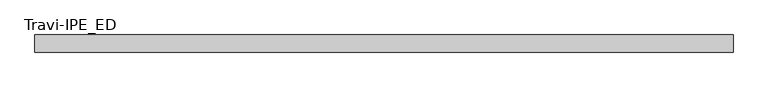
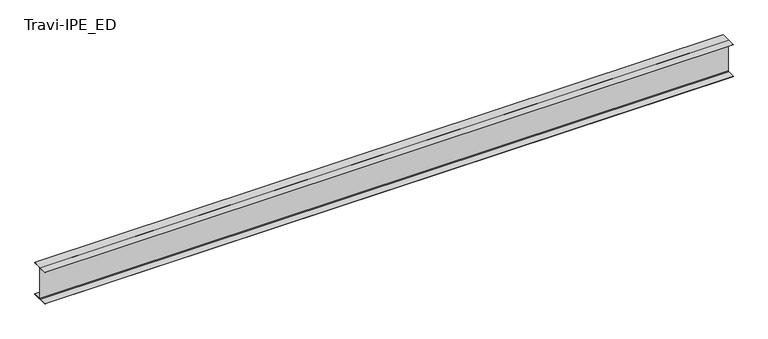
"""IFC4 building model written with IfcOpenShell, lengths in millimetres: beam geometry, Travi-IPE_ED."""

import ifcopenshell
import ifcopenshell.guid

model = None  # the IFC model being written
_history = None  # IfcOwnerHistory: only IFC2X3 demands one
_inside = {}  # id of a spatial element -> (the spatial element, [elements in it])
_under = {}  # id of a project, library or spatial element -> (it, [spatial elements below it])
_declared = {}  # id of a project -> (the project, [libraries it declares])
_typed = {}  # id of a type object -> (the type object, [elements of that type])
_made_of = {}  # id of a material, layer set ... -> (it, [elements and type objects made of it])


def new_model(schema):
    """Start an empty IFC model of exactly this schema.

    Asked for "IFC4X3", IfcOpenShell would pick the latest addendum, in which some entities
    have other attributes; the version numbers below select the first issue.
    IFC2X3 requires an IfcOwnerHistory on every rooted entity: one is made here for all.
    """
    global model, _history
    if schema == "IFC4X3":
        model = ifcopenshell.file(schema_version=(4, 3, 0, 0))
    else:
        model = ifcopenshell.file(schema=schema)
    _inside.clear()
    _under.clear()
    _declared.clear()
    _typed.clear()
    _made_of.clear()
    _history = None
    if model.schema == "IFC2X3":
        org = make("IfcOrganization", Name="unknown")
        user = make(
            "IfcPersonAndOrganization",
            ThePerson=make("IfcPerson", FamilyName="unknown"),
            TheOrganization=org,
        )
        app = make(
            "IfcApplication",
            ApplicationDeveloper=org,
            Version="unknown",
            ApplicationFullName="unknown",
            ApplicationIdentifier="unknown",
        )
        _history = make(
            "IfcOwnerHistory",
            OwningUser=user,
            OwningApplication=app,
            ChangeAction="ADDED",
            CreationDate=0,
        )
    return model


def make(cls, **values):
    """One entity of the class cls with the attributes given. An attribute that is None is left unset."""
    return model.create_entity(
        cls, **{name: value for name, value in values.items() if value is not None}
    )


def rooted(cls, **values):
    """An entity with a GlobalId (a new one), such as an element, a storey or a relation."""
    return make(cls, GlobalId=ifcopenshell.guid.new(), OwnerHistory=_history, **values)


def si_unit(unit_type, name, prefix=None):
    """IfcSIUnit, for example si_unit("LENGTHUNIT", "METRE", prefix="MILLI")."""
    return make("IfcSIUnit", UnitType=unit_type, Prefix=prefix, Name=name)


def assignment(units):
    """IfcUnitAssignment: the units of a project."""
    return None if units is None else make("IfcUnitAssignment", Units=units)


def point(xyz):
    """IfcCartesianPoint."""
    return None if xyz is None else make("IfcCartesianPoint", Coordinates=xyz)


def direction(xyz):
    """IfcDirection."""
    return None if xyz is None else make("IfcDirection", DirectionRatios=xyz)


def frame(location, z_axis=None, x_axis=None):
    """IfcAxis2Placement3D, a coordinate frame: its origin and axes. An axis left out is left unset."""
    return make(
        "IfcAxis2Placement3D",
        Location=point(location),
        Axis=direction(z_axis),
        RefDirection=direction(x_axis),
    )


def frame_2d(location, x_axis=None):
    """IfcAxis2Placement2D, a coordinate frame in the plane: its origin and x axis."""
    return make(
        "IfcAxis2Placement2D", Location=point(location), RefDirection=direction(x_axis)
    )


def origin():
    """The frame at (0, 0, 0) with its axes left unset."""
    return frame((0.0, 0.0, 0.0))


def place(relative_to, where):
    """IfcLocalPlacement: puts the frame where relative to a parent placement (None: the world)."""
    return make(
        "IfcLocalPlacement", PlacementRelTo=relative_to, RelativePlacement=where
    )


def context(
    kind, dimensions, precision=None, world=None, true_north=None, identifier=None
):
    """IfcGeometricRepresentationContext, for example the 3D "Model" context."""
    return make(
        "IfcGeometricRepresentationContext",
        ContextIdentifier=identifier,
        ContextType=kind,
        CoordinateSpaceDimension=dimensions,
        Precision=precision,
        WorldCoordinateSystem=world,
        TrueNorth=true_north,
    )


def project(units=None, contexts=None):
    """IfcProject with its units and contexts."""
    return rooted(
        "IfcProject",
        Name="project",
        RepresentationContexts=contexts,
        UnitsInContext=assignment(units),
    )


def spatial(cls, under=None, at=None, **own):
    """A site, building, storey or space (cls), placed at a placement, below another one or the project."""
    s = rooted(cls, ObjectPlacement=at, **own)
    if under is not None:
        _under.setdefault(under.id(), (under, []))[1].append(s)
    return s


def polyline(points):
    """IfcPolyline through the points."""
    return make("IfcPolyline", Points=[point(p) for p in points])


def circle_curve(where, radius):
    """IfcCircle in the frame where."""
    return make("IfcCircle", Position=where, Radius=radius)


def trimmed(basis, trim1, trim2, sense, master):
    """IfcTrimmedCurve: the piece of a basis curve between two trims."""
    return make(
        "IfcTrimmedCurve",
        BasisCurve=basis,
        Trim1=trim1,
        Trim2=trim2,
        SenseAgreement=sense,
        MasterRepresentation=master,
    )


def segment(curve, same_sense, transition):
    """IfcCompositeCurveSegment."""
    return make(
        "IfcCompositeCurveSegment",
        Transition=transition,
        SameSense=same_sense,
        ParentCurve=curve,
    )


def composite_curve(segments, self_intersect=None):
    """IfcCompositeCurve: segments joined end to end."""
    return make("IfcCompositeCurve", Segments=segments, SelfIntersect=self_intersect)


def outline(outer, holes=None, kind="AREA"):
    """IfcArbitraryClosedProfileDef: a profile drawn as a closed curve; with holes, ...WithVoids."""
    if holes is None:
        return make("IfcArbitraryClosedProfileDef", ProfileType=kind, OuterCurve=outer)
    return make(
        "IfcArbitraryProfileDefWithVoids",
        ProfileType=kind,
        OuterCurve=outer,
        InnerCurves=holes,
    )


def extrude(swept, where, along, depth):
    """IfcExtrudedAreaSolid: the profile swept, set in the frame where, extruded along a direction by depth."""
    return make(
        "IfcExtrudedAreaSolid",
        SweptArea=swept,
        Position=where,
        ExtrudedDirection=direction(along),
        Depth=depth,
    )


def shape(context_of_items, identifier, shape_type, items):
    """IfcShapeRepresentation: the items that make up one representation, for example the "Body"."""
    return make(
        "IfcShapeRepresentation",
        ContextOfItems=context_of_items,
        RepresentationIdentifier=identifier,
        RepresentationType=shape_type,
        Items=items,
    )


def source(mapping_origin, context_of_items, identifier, shape_type, items):
    """IfcRepresentationMap: a shape defined once, which mapped items show again and again."""
    return make(
        "IfcRepresentationMap",
        MappingOrigin=mapping_origin,
        MappedRepresentation=shape(context_of_items, identifier, shape_type, items),
    )


def transform(
    local_origin,
    x_axis=None,
    y_axis=None,
    z_axis=None,
    scale=None,
    scale2=None,
    scale3=None,
    uniform=True,
):
    """IfcCartesianTransformationOperator3D, or its non-uniform kind. x_axis, y_axis, z_axis: its Axis1, 2, 3."""
    if uniform:
        return make(
            "IfcCartesianTransformationOperator3D",
            Axis1=direction(x_axis),
            Axis2=direction(y_axis),
            LocalOrigin=point(local_origin),
            Scale=scale,
            Axis3=direction(z_axis),
        )
    return make(
        "IfcCartesianTransformationOperator3DnonUniform",
        Axis1=direction(x_axis),
        Axis2=direction(y_axis),
        LocalOrigin=point(local_origin),
        Scale=scale,
        Axis3=direction(z_axis),
        Scale2=scale2,
        Scale3=scale3,
    )


def mapped(mapping_source, mapping_target):
    """IfcMappedItem: shows the shape of a source again, moved by a transform."""
    return make(
        "IfcMappedItem", MappingSource=mapping_source, MappingTarget=mapping_target
    )


def made_of(thing, what):
    """Note that an element or type object is made of a material, layer set ...; save() writes the relation."""
    if what is not None:
        _made_of.setdefault(what.id(), (what, []))[1].append(thing)
    return thing


def element(
    cls,
    number,
    at=None,
    inside=None,
    cuts=None,
    type_object=None,
    material=None,
    context=None,
    identifier="Body",
    shape_type=None,
    held_by="IfcProductDefinitionShape",
    body=None,
    shapes=None,
    **own,
):
    """One element of the class cls, such as IfcWall. Its Tag is "e" and its number.

    at: its placement. inside: the storey or other place that contains it. cuts: it is an
    opening in that element (IfcRelVoidsElement). A single representation is given by context,
    identifier, shape_type and body (its items); several are given by shapes. held_by: the class
    of the entity that holds the representations. save() writes the other relations.
    """
    e = rooted(cls, Tag="e%d" % number, ObjectPlacement=at, **own)
    if body is not None:
        shapes = [shape(context, identifier, shape_type, body)]
    if shapes is not None:
        e.Representation = make(held_by, Representations=shapes)
    if inside is not None:
        _inside.setdefault(inside.id(), (inside, []))[1].append(e)
    if cuts is not None:
        rooted(
            "IfcRelVoidsElement", RelatingBuildingElement=cuts, RelatedOpeningElement=e
        )
    if type_object is not None:
        _typed.setdefault(type_object.id(), (type_object, []))[1].append(e)
    return made_of(e, material)


def aggregate(whole, parts):
    """IfcRelAggregates: a whole, such as a stair, and the parts it consists of."""
    return rooted("IfcRelAggregates", RelatingObject=whole, RelatedObjects=parts)


def save(model, path):
    """Write the relations noted so far, then the file.

    IfcRelAggregates (storeys below a building ...), IfcRelContainedInSpatialStructure (elements
    in a storey), IfcRelDefinesByType, IfcRelAssociatesMaterial and IfcRelDeclares: one each for
    every whole, place, type object, material and project.
    """
    for whole, parts in _under.values():
        aggregate(whole, parts)
    for where, things in _inside.values():
        rooted(
            "IfcRelContainedInSpatialStructure",
            RelatedElements=things,
            RelatingStructure=where,
        )
    for kind, things in _typed.values():
        rooted("IfcRelDefinesByType", RelatedObjects=things, RelatingType=kind)
    for what, things in _made_of.values():
        rooted("IfcRelAssociatesMaterial", RelatedObjects=things, RelatingMaterial=what)
    for by, libraries in _declared.values():
        rooted("IfcRelDeclares", RelatingContext=by, RelatedDefinitions=libraries)
    model.write(path)


def travi_ipe_ed_aa5bef80(model_context):
    return source(origin(), model_context, "Body", "SweptSolid", [
        extrude(outline(composite_curve([segment(polyline([(75.0, -147.0), (75.0, -150.0), (-75.0, -150.0), (-75.0, -147.0), (-8.5, -147.0)]), True, "CONTINUOUS"), segment(trimmed(circle_curve(frame_2d((-8.5, -140.0)), 7.0), [point((-8.5, -147.0))], [point((-1.5, -140.0))], True, "CARTESIAN"), True, "CONTINUOUS"), segment(polyline([(-1.5, -140.0), (-1.5, 140.0)]), True, "CONTINUOUS"), segment(trimmed(circle_curve(frame_2d((-8.5, 140.0)), 7.0), [point((-1.5, 140.0))], [point((-8.5, 147.0))], True, "CARTESIAN"), True, "CONTINUOUS"), segment(polyline([(-8.5, 147.0), (-75.0, 147.0), (-75.0, 150.0), (75.0, 150.0), (75.0, 147.0), (8.5, 147.0)]), True, "CONTINUOUS"), segment(trimmed(circle_curve(frame_2d((8.5, 140.0)), 7.0), [point((8.5, 147.0))], [point((1.5, 140.0))], True, "CARTESIAN"), True, "CONTINUOUS"), segment(polyline([(1.5, 140.0), (1.5, -140.0)]), True, "CONTINUOUS"), segment(trimmed(circle_curve(frame_2d((8.5, -140.0)), 7.0), [point((1.5, -140.0))], [point((8.5, -147.0))], True, "CARTESIAN"), True, "CONTINUOUS"), segment(polyline([(8.5, -147.0), (75.0, -147.0)]), True, "CONTINUOUS")], self_intersect=False)), frame((-3070.1850425, 0.0, 0.0), z_axis=(1.0, 0.0, 0.0), x_axis=(0.0, 1.0, 0.0)), (0.0, 0.0, 1.0), 6120.1850425),
    ])


if __name__ == "__main__":
    model = new_model("IFC4")
    model_context = context("Model", 3, world=origin())
    ifc_project = project(units=[si_unit("LENGTHUNIT", "METRE", prefix="MILLI")], contexts=[model_context])
    site = spatial("IfcSite", under=ifc_project)
    building = spatial("IfcBuilding", under=site)
    placement = place(None, origin())
    travi_ipe_ed_shape = travi_ipe_ed_aa5bef80(model_context)
    element("IfcBeam", 1, ObjectType="Travi-IPE_ED", at=placement, inside=building, context=model_context, shape_type="MappedRepresentation", body=[
        mapped(travi_ipe_ed_shape, transform((0.0, 0.0, 0.0), x_axis=(1.0, 0.0, 0.0), y_axis=(0.0, 1.0, 0.0), z_axis=(0.0, 0.0, 1.0))),
    ])
    save(model, "model.ifc")
